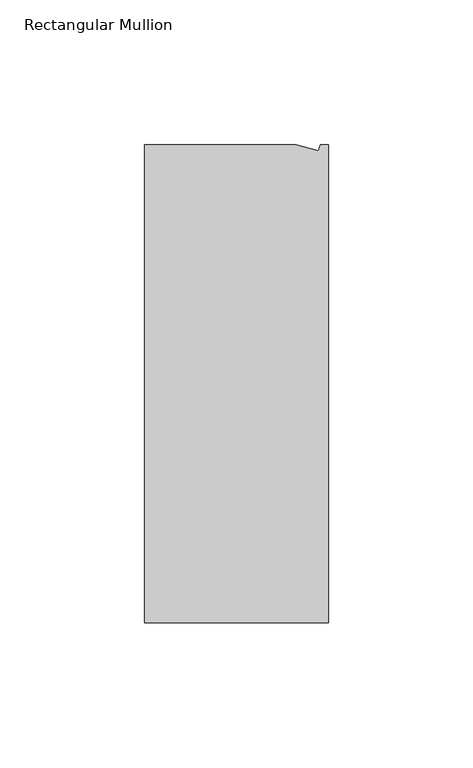
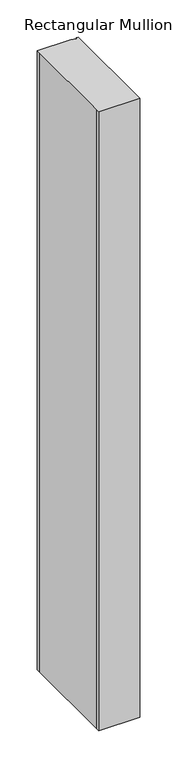
"""IFC4 building model written with IfcOpenShell, lengths in millimetres: member geometry, Rectangular Mullion."""

from ifc_helpers import new_model, si_unit, origin, place, context, project, spatial, faceted_brep, source, transform, mapped, element, save


def rectangular_mullion_daf156f8(model_context):
    return source(origin(), model_context, "Body", "Brep", [
        faceted_brep([(0.0, -132.5561012, 0.0), (0.0, 32.5438988, 0.0), (-2.7630634, 32.5438988, 0.0), (-3.3223696, 30.4565397, 0.0), (-11.1125, 32.5438988, 0.0), (-63.5076469, 32.5438988, 0.0), (-63.5076469, 26.1938988, 0.0), (-63.5, -126.2061012, 0.0), (-63.5076469, -132.5561012, 0.0), (0.0, -132.5561012, -1016.0), (-63.5076469, -132.5561012, -1016.0), (-63.5076469, -126.2061012, -1016.0), (-63.5, 26.1938988, -1016.0), (-63.5076469, 32.5438988, -1016.0), (-11.1125, 32.5438988, -1016.0), (-3.3223696, 30.4565397, -1016.0), (-2.7630634, 32.5438988, -1016.0), (0.0, 32.5438988, -1016.0)], [[[0, 1, 2, 3, 4, 5, 6, 7, 8]], [[9, 10, 11, 12, 13, 14, 15, 16, 17]], [[1, 0, 9, 17]], [[2, 1, 17, 16]], [[3, 2, 16, 15]], [[4, 3, 15, 14]], [[5, 4, 14, 13]], [[7, 6, 12, 11]], [[0, 8, 10, 9]], [[6, 5, 13, 12]], [[8, 7, 11, 10]]]),
    ])


if __name__ == "__main__":
    model = new_model("IFC4")
    model_context = context("Model", 3, world=origin())
    ifc_project = project(units=[si_unit("LENGTHUNIT", "METRE", prefix="MILLI")], contexts=[model_context])
    site = spatial("IfcSite", under=ifc_project)
    building = spatial("IfcBuilding", under=site)
    placement = place(None, origin())
    rectangular_mullion_shape = rectangular_mullion_daf156f8(model_context)
    element("IfcMember", 1, ObjectType="Rectangular Mullion", at=placement, inside=building, context=model_context, shape_type="MappedRepresentation", body=[
        mapped(rectangular_mullion_shape, transform((0.0, 0.0, 0.0), x_axis=(1.0, 0.0, 0.0), y_axis=(0.0, 1.0, 0.0), z_axis=(0.0, 0.0, 1.0))),
    ])
    save(model, "model.ifc")
